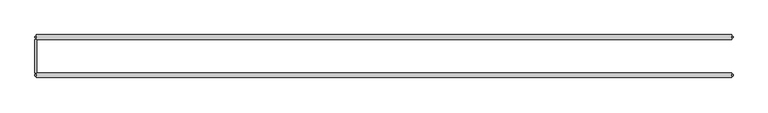
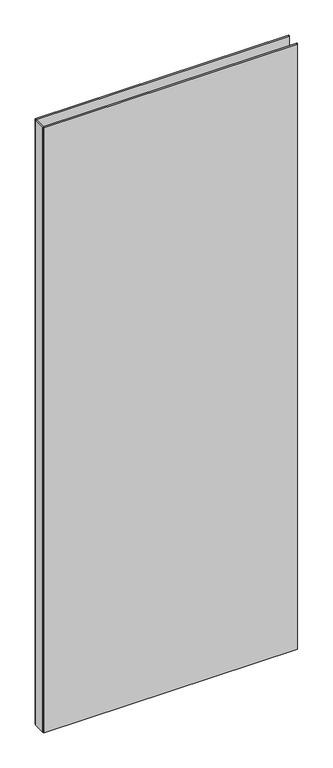
"""IFC4 building model written with IfcOpenShell, lengths in millimetres: plate geometry."""

from ifc_helpers import new_model, si_unit, origin, origin_with_axes, place, context, project, spatial, polyline, outline, extrude, source, transform, mapped, element, save


def plate_7c7f3ad0(model_context):
    return source(origin(), model_context, "Body", "SweptSolid", [
        extrude(outline(polyline([(-576.2142858, 27.7), (-576.2142858, -27.7), (-579.2142858, -27.7), (-579.2142858, 27.7), (-576.2142858, 27.7)])), origin_with_axes(), (0.0, 0.0, 1.0), 2915.0),
        extrude(outline(polyline([(-577.2142858, 32.7), (-577.2142858, 30.7), (-579.2142858, 30.7), (-579.2142858, 32.7), (-577.2142858, 32.7)])), origin_with_axes(), (0.0, 0.0, 1.0), 2915.0),
        extrude(outline(polyline([(-577.2142858, -30.7), (-577.2142858, -32.7), (-579.2142858, -32.7), (-579.2142858, -30.7), (-577.2142858, -30.7)])), origin_with_axes(), (0.0, 0.0, 1.0), 2915.0),
        extrude(outline(polyline([(577.2142858, 32.7), (579.2142858, 32.7), (579.2142858, 30.7), (577.2142858, 30.7), (577.2142858, 32.7)])), origin_with_axes(), (0.0, 0.0, 1.0), 2915.0),
        extrude(outline(polyline([(579.2142858, -30.7), (579.2142858, -32.7), (577.2142858, -32.7), (577.2142858, -30.7), (579.2142858, -30.7)])), origin_with_axes(), (0.0, 0.0, 1.0), 2915.0),
        extrude(outline(polyline([(577.2142858, 27.7), (-577.2142858, 27.7), (-577.2142858, 35.7), (577.2142858, 35.7), (577.2142858, 27.7)])), origin_with_axes(), (0.0, 0.0, 1.0), 2915.0),
        extrude(outline(polyline([(-577.2142858, -35.7), (-577.2142858, -27.7), (577.2142858, -27.7), (577.2142858, -35.7), (-577.2142858, -35.7)])), origin_with_axes(), (0.0, 0.0, 1.0), 2915.0),
    ])


if __name__ == "__main__":
    model = new_model("IFC4")
    model_context = context("Model", 3, world=origin())
    ifc_project = project(units=[si_unit("LENGTHUNIT", "METRE", prefix="MILLI")], contexts=[model_context])
    site = spatial("IfcSite", under=ifc_project)
    building = spatial("IfcBuilding", under=site)
    placement = place(None, origin())
    plate_shape = plate_7c7f3ad0(model_context)
    element("IfcPlate", 1, at=placement, inside=building, context=model_context, shape_type="MappedRepresentation", body=[
        mapped(plate_shape, transform((0.0, 0.0, 0.0), x_axis=(1.0, 0.0, 0.0), y_axis=(0.0, 1.0, 0.0), z_axis=(0.0, 0.0, 1.0))),
    ])
    save(model, "model.ifc")
